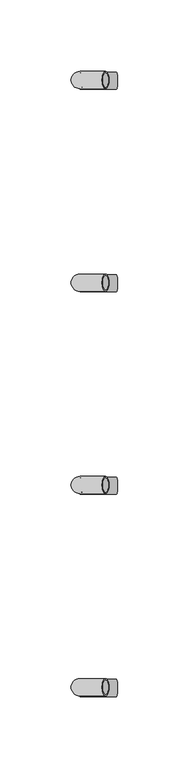
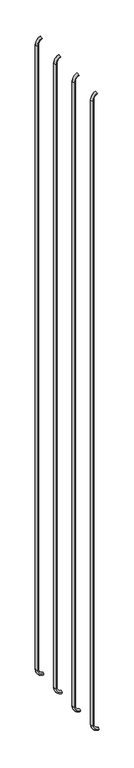
"""IFC4 building model written with IfcOpenShell, lengths in millimetres: beam geometry."""

from ifc_helpers import new_model, si_unit, point, frame, origin, place, context, project, spatial, polyline, circle_curve, ellipse_curve, trimmed, source, transform, mapped, element, save
from ifc_brep_helpers import plane_surface, cylinder_surface, revolved_surface, advanced_brep


def beam_448fe7ff(model_context):
    return source(origin(), model_context, "Body", "AdvancedBrep", [
        advanced_brep(
        [(-2036.2663591, 2408.8890736, 2977.1908893), (-2036.2663591, 2396.8890736, 2977.1908893), (-2036.2663591, 2407.8890736, 2977.1908893), (-2036.2663591, 2397.8890736, 2977.1908893), (-2054.342976, 2397.8890736, 2949.6621238), (-2054.342976, 2407.8890736, 2949.6621238), (-2054.342976, 2396.8890736, 2949.6621238), (-2054.342976, 2408.8890736, 2949.6621238), (-2054.342976, 2407.8890736, 30.7084898), (-2054.342976, 2397.8890736, 30.7084898), (-2054.342976, 2408.8890736, 30.7084898), (-2054.342976, 2396.8890736, 30.7084898), (-2028.7233999, 2408.8890736, 1.0300146), (-2028.7233999, 2396.8890736, 1.0300146), (-2028.7233999, 2407.8890736, 1.0300146), (-2028.7233999, 2397.8890736, 1.0300146)],
        [
            (0, 1, circle_curve(frame((-2036.2663591, 2402.8890736, 2977.1908893), z_axis=(0.9176255197351176, 0.0, 0.3974461039321624), x_axis=(0.0, -1.0, 0.0)), 6.0)),
            (1, 0, circle_curve(frame((-2036.2663591, 2402.8890736, 2977.1908893), z_axis=(0.9176255197351176, 0.0, 0.3974461039321624), x_axis=(0.0, -1.0, 0.0)), 6.0)),
            (2, 3, circle_curve(frame((-2036.2663591, 2402.8890736, 2977.1908893), z_axis=(-0.9176255197351176, 0.0, -0.3974461039321624), x_axis=(0.0, -1.0, 0.0)), 5.0)),
            (3, 2, circle_curve(frame((-2036.2663591, 2402.8890736, 2977.1908893), z_axis=(-0.9176255197351176, 0.0, -0.3974461039321624), x_axis=(0.0, -1.0, 0.0)), 5.0)),
            (4, 3, circle_curve(frame((-2024.342976, 2397.8890736, 2949.6621238), z_axis=(0.0, 1.0, 0.0), x_axis=(-0.3974461039321624, 0.0, 0.9176255197351176)), 30.0)),
            (2, 5, circle_curve(frame((-2024.342976, 2407.8890736, 2949.6621238), z_axis=(0.0, -1.0, 0.0), x_axis=(-0.3974461039321624, 0.0, 0.9176255197351176)), 30.0)),
            (5, 4, circle_curve(frame((-2054.342976, 2402.8890736, 2949.6621238), z_axis=(0.0, 0.0, -1.0), x_axis=(0.0, -1.0, 0.0)), 5.0)),
            (4, 5, circle_curve(frame((-2054.342976, 2402.8890736, 2949.6621238), z_axis=(0.0, 0.0, -1.0), x_axis=(0.0, -1.0, 0.0)), 5.0)),
            (6, 1, circle_curve(frame((-2024.342976, 2396.8890736, 2949.6621238), z_axis=(0.0, 1.0, 0.0), x_axis=(-0.3974461039321624, 0.0, 0.9176255197351176)), 30.0)),
            (0, 7, circle_curve(frame((-2024.342976, 2408.8890736, 2949.6621238), z_axis=(0.0, -1.0, 0.0), x_axis=(-0.3974461039321624, 0.0, 0.9176255197351176)), 30.0)),
            (7, 6, circle_curve(frame((-2054.342976, 2402.8890736, 2949.6621238), z_axis=(0.0, 0.0, 1.0), x_axis=(0.0, -1.0, 0.0)), 6.0)),
            (6, 7, circle_curve(frame((-2054.342976, 2402.8890736, 2949.6621238), z_axis=(0.0, 0.0, 1.0), x_axis=(0.0, -1.0, 0.0)), 6.0)),
            (5, 8),
            (8, 9, circle_curve(frame((-2054.342976, 2402.8890736, 30.7084898), z_axis=(0.0, 0.0, -1.0), x_axis=(0.0, -1.0, 0.0)), 5.0)),
            (9, 4),
            (9, 8, circle_curve(frame((-2054.342976, 2402.8890736, 30.7084898), z_axis=(0.0, 0.0, -1.0), x_axis=(0.0, -1.0, 0.0)), 5.0)),
            (7, 10),
            (10, 11, circle_curve(frame((-2054.342976, 2402.8890736, 30.7084898), z_axis=(0.0, 0.0, 1.0), x_axis=(0.0, -1.0, 0.0)), 6.0)),
            (11, 6),
            (11, 10, circle_curve(frame((-2054.342976, 2402.8890736, 30.7084898), z_axis=(0.0, 0.0, 1.0), x_axis=(0.0, -1.0, 0.0)), 6.0)),
            (12, 13, circle_curve(frame((-2028.7233999, 2402.8890736, 1.0300146), z_axis=(0.9892825047438852, 0.0, -0.14601412879466397), x_axis=(0.0, -1.0, 0.0)), 6.0)),
            (13, 12, circle_curve(frame((-2028.7233999, 2402.8890736, 1.0300146), z_axis=(0.9892825047438852, 0.0, -0.14601412879466397), x_axis=(0.0, -1.0, 0.0)), 6.0)),
            (14, 15, circle_curve(frame((-2028.7233999, 2402.8890736, 1.0300146), z_axis=(-0.9892825047438852, 0.0, 0.14601412879466397), x_axis=(0.0, -1.0, 0.0)), 5.0)),
            (15, 14, circle_curve(frame((-2028.7233999, 2402.8890736, 1.0300146), z_axis=(-0.9892825047438852, 0.0, 0.14601412879466397), x_axis=(0.0, -1.0, 0.0)), 5.0)),
            (15, 9, circle_curve(frame((-2024.342976, 2397.8890736, 30.7084898), z_axis=(0.0, 1.0, 0.0), x_axis=(-1.0, 0.0, 0.0)), 30.0)),
            (8, 14, circle_curve(frame((-2024.342976, 2407.8890736, 30.7084898), z_axis=(0.0, -1.0, 0.0), x_axis=(-1.0, 0.0, 0.0)), 30.0)),
            (13, 11, circle_curve(frame((-2024.342976, 2396.8890736, 30.7084898), z_axis=(0.0, 1.0, 0.0), x_axis=(-1.0, 0.0, 0.0)), 30.0)),
            (10, 12, circle_curve(frame((-2024.342976, 2408.8890736, 30.7084898), z_axis=(0.0, -1.0, 0.0), x_axis=(-1.0, 0.0, 0.0)), 30.0)),
        ],
        [
            plane_surface(frame((-2036.2663591, 2402.8890736, 2977.1908893), z_axis=(0.9176255197351176, 0.0, 0.3974461039321624), x_axis=(0.0, -1.0, 0.0))),
            revolved_surface(trimmed(ellipse_curve(frame((-2036.2663591, 2402.8890736, 2977.1908893), z_axis=(-0.9176255197351176, 0.0, -0.3974461039321624), x_axis=(0.0, -1.0, 0.0)), 5.0, 5.0), [point((-2036.2663591, 2407.8890736, 2977.1908893))], [point((-2036.2663591, 2397.8890736, 2977.1908893))], True, "CARTESIAN"), (-2024.342976, 2402.8890736, 2949.6621238), (0.0, -1.0, 0.0)),
            revolved_surface(trimmed(ellipse_curve(frame((-2036.2663591, 2402.8890736, 2977.1908893), z_axis=(-0.9176255197351176, 0.0, -0.3974461039321624), x_axis=(0.0, -1.0, 0.0)), 5.0, 5.0), [point((-2036.2663591, 2397.8890736, 2977.1908893))], [point((-2036.2663591, 2407.8890736, 2977.1908893))], True, "CARTESIAN"), (-2024.342976, 2402.8890736, 2949.6621238), (0.0, -1.0, 0.0)),
            revolved_surface(trimmed(ellipse_curve(frame((-2036.2663591, 2402.8890736, 2977.1908893), z_axis=(0.9176255197351176, 0.0, 0.3974461039321624), x_axis=(0.0, -1.0, 0.0)), 6.0, 6.0), [point((-2036.2663591, 2408.8890736, 2977.1908893))], [point((-2036.2663591, 2396.8890736, 2977.1908893))], True, "CARTESIAN"), (-2024.342976, 2402.8890736, 2949.6621238), (0.0, -1.0, 0.0)),
            revolved_surface(trimmed(ellipse_curve(frame((-2036.2663591, 2402.8890736, 2977.1908893), z_axis=(0.9176255197351176, 0.0, 0.3974461039321624), x_axis=(0.0, -1.0, 0.0)), 6.0, 6.0), [point((-2036.2663591, 2396.8890736, 2977.1908893))], [point((-2036.2663591, 2408.8890736, 2977.1908893))], True, "CARTESIAN"), (-2024.342976, 2402.8890736, 2949.6621238), (0.0, -1.0, 0.0)),
            revolved_surface(polyline([(-2054.342976, 2397.8890736, 30.708489799999825), (-2054.342976, 2397.8890736, 2949.6621238)]), (-2054.342976, 2402.8890736, 2949.6621238), (0.0, 0.0, -1.0)),
            cylinder_surface(frame((-2054.342976, 2402.8890736, 2949.6621238), z_axis=(0.0, 0.0, 1.0), x_axis=(0.0, -1.0, 0.0)), 6.0),
            plane_surface(frame((-2028.7233999, 2402.8890736, 1.0300146), z_axis=(0.9892825047438852, 0.0, -0.14601412879466397), x_axis=(0.0, -1.0, 0.0))),
            revolved_surface(trimmed(ellipse_curve(frame((-2054.342976, 2402.8890736, 30.7084898), z_axis=(0.0, 0.0, -1.0), x_axis=(0.0, -1.0, 0.0)), 5.0, 5.0), [point((-2054.342976, 2407.8890736, 30.7084898))], [point((-2054.342976, 2397.8890736, 30.7084898))], True, "CARTESIAN"), (-2024.342976, 2402.8890736, 30.7084898), (0.0, -1.0, 0.0)),
            revolved_surface(trimmed(ellipse_curve(frame((-2054.342976, 2402.8890736, 30.7084898), z_axis=(0.0, 0.0, -1.0), x_axis=(0.0, -1.0, 0.0)), 5.0, 5.0), [point((-2054.342976, 2397.8890736, 30.7084898))], [point((-2054.342976, 2407.8890736, 30.7084898))], True, "CARTESIAN"), (-2024.342976, 2402.8890736, 30.7084898), (0.0, -1.0, 0.0)),
            revolved_surface(trimmed(ellipse_curve(frame((-2054.342976, 2402.8890736, 30.7084898), z_axis=(0.0, 0.0, 1.0), x_axis=(0.0, -1.0, 0.0)), 6.0, 6.0), [point((-2054.342976, 2408.8890736, 30.7084898))], [point((-2054.342976, 2396.8890736, 30.7084898))], True, "CARTESIAN"), (-2024.342976, 2402.8890736, 30.7084898), (0.0, -1.0, 0.0)),
            revolved_surface(trimmed(ellipse_curve(frame((-2054.342976, 2402.8890736, 30.7084898), z_axis=(0.0, 0.0, 1.0), x_axis=(0.0, -1.0, 0.0)), 6.0, 6.0), [point((-2054.342976, 2396.8890736, 30.7084898))], [point((-2054.342976, 2408.8890736, 30.7084898))], True, "CARTESIAN"), (-2024.342976, 2402.8890736, 30.7084898), (0.0, -1.0, 0.0)),
        ],
        [
            (0, [[1, 2], [3, 4]]),
            (1, [[5, -3, 6, 7]]),
            (2, [[-6, -4, -5, 8]]),
            (3, [[9, -1, 10, 11]]),
            (4, [[-10, -2, -9, 12]]),
            (5, [[-7, 13, 14, 15]]),
            (5, [[-8, -15, 16, -13]]),
            (6, [[-11, 17, 18, 19]]),
            (6, [[-12, -19, 20, -17]]),
            (7, [[21, 22], [23, 24]]),
            (8, [[25, -14, 26, -24]]),
            (9, [[-26, -16, -25, -23]]),
            (10, [[27, -18, 28, -22]]),
            (11, [[-28, -20, -27, -21]]),
        ],
    ),
        advanced_brep(
        [(-2036.2663591, 2550.2953236, 2977.1908893), (-2036.2663591, 2538.2953236, 2977.1908893), (-2036.2663591, 2549.2953236, 2977.1908893), (-2036.2663591, 2539.2953236, 2977.1908893), (-2054.342976, 2539.2953236, 2949.6621238), (-2054.342976, 2549.2953236, 2949.6621238), (-2054.342976, 2538.2953236, 2949.6621238), (-2054.342976, 2550.2953236, 2949.6621238), (-2054.342976, 2549.2953236, 30.7084898), (-2054.342976, 2539.2953236, 30.7084898), (-2054.342976, 2550.2953236, 30.7084898), (-2054.342976, 2538.2953236, 30.7084898), (-2028.7233999, 2550.2953236, 1.0300146), (-2028.7233999, 2538.2953236, 1.0300146), (-2028.7233999, 2549.2953236, 1.0300146), (-2028.7233999, 2539.2953236, 1.0300146)],
        [
            (0, 1, circle_curve(frame((-2036.2663591, 2544.2953236, 2977.1908893), z_axis=(0.9176255197351176, 0.0, 0.3974461039321624), x_axis=(0.0, -1.0, 0.0)), 6.0)),
            (1, 0, circle_curve(frame((-2036.2663591, 2544.2953236, 2977.1908893), z_axis=(0.9176255197351176, 0.0, 0.3974461039321624), x_axis=(0.0, -1.0, 0.0)), 6.0)),
            (2, 3, circle_curve(frame((-2036.2663591, 2544.2953236, 2977.1908893), z_axis=(-0.9176255197351176, 0.0, -0.3974461039321624), x_axis=(0.0, -1.0, 0.0)), 5.0)),
            (3, 2, circle_curve(frame((-2036.2663591, 2544.2953236, 2977.1908893), z_axis=(-0.9176255197351176, 0.0, -0.3974461039321624), x_axis=(0.0, -1.0, 0.0)), 5.0)),
            (4, 3, circle_curve(frame((-2024.342976, 2539.2953236, 2949.6621238), z_axis=(0.0, 1.0, 0.0), x_axis=(-0.3974461039321624, 0.0, 0.9176255197351176)), 30.0)),
            (2, 5, circle_curve(frame((-2024.342976, 2549.2953236, 2949.6621238), z_axis=(0.0, -1.0, 0.0), x_axis=(-0.3974461039321624, 0.0, 0.9176255197351176)), 30.0)),
            (5, 4, circle_curve(frame((-2054.342976, 2544.2953236, 2949.6621238), z_axis=(0.0, 0.0, -1.0), x_axis=(0.0, -1.0, 0.0)), 5.0)),
            (4, 5, circle_curve(frame((-2054.342976, 2544.2953236, 2949.6621238), z_axis=(0.0, 0.0, -1.0), x_axis=(0.0, -1.0, 0.0)), 5.0)),
            (6, 1, circle_curve(frame((-2024.342976, 2538.2953236, 2949.6621238), z_axis=(0.0, 1.0, 0.0), x_axis=(-0.3974461039321624, 0.0, 0.9176255197351176)), 30.0)),
            (0, 7, circle_curve(frame((-2024.342976, 2550.2953236, 2949.6621238), z_axis=(0.0, -1.0, 0.0), x_axis=(-0.3974461039321624, 0.0, 0.9176255197351176)), 30.0)),
            (7, 6, circle_curve(frame((-2054.342976, 2544.2953236, 2949.6621238), z_axis=(0.0, 0.0, 1.0), x_axis=(0.0, -1.0, 0.0)), 6.0)),
            (6, 7, circle_curve(frame((-2054.342976, 2544.2953236, 2949.6621238), z_axis=(0.0, 0.0, 1.0), x_axis=(0.0, -1.0, 0.0)), 6.0)),
            (5, 8),
            (8, 9, circle_curve(frame((-2054.342976, 2544.2953236, 30.7084898), z_axis=(0.0, 0.0, -1.0), x_axis=(0.0, -1.0, 0.0)), 5.0)),
            (9, 4),
            (9, 8, circle_curve(frame((-2054.342976, 2544.2953236, 30.7084898), z_axis=(0.0, 0.0, -1.0), x_axis=(0.0, -1.0, 0.0)), 5.0)),
            (7, 10),
            (10, 11, circle_curve(frame((-2054.342976, 2544.2953236, 30.7084898), z_axis=(0.0, 0.0, 1.0), x_axis=(0.0, -1.0, 0.0)), 6.0)),
            (11, 6),
            (11, 10, circle_curve(frame((-2054.342976, 2544.2953236, 30.7084898), z_axis=(0.0, 0.0, 1.0), x_axis=(0.0, -1.0, 0.0)), 6.0)),
            (12, 13, circle_curve(frame((-2028.7233999, 2544.2953236, 1.0300146), z_axis=(0.9892825047438852, 0.0, -0.14601412879466397), x_axis=(0.0, -1.0, 0.0)), 6.0)),
            (13, 12, circle_curve(frame((-2028.7233999, 2544.2953236, 1.0300146), z_axis=(0.9892825047438852, 0.0, -0.14601412879466397), x_axis=(0.0, -1.0, 0.0)), 6.0)),
            (14, 15, circle_curve(frame((-2028.7233999, 2544.2953236, 1.0300146), z_axis=(-0.9892825047438852, 0.0, 0.14601412879466397), x_axis=(0.0, -1.0, 0.0)), 5.0)),
            (15, 14, circle_curve(frame((-2028.7233999, 2544.2953236, 1.0300146), z_axis=(-0.9892825047438852, 0.0, 0.14601412879466397), x_axis=(0.0, -1.0, 0.0)), 5.0)),
            (15, 9, circle_curve(frame((-2024.342976, 2539.2953236, 30.7084898), z_axis=(0.0, 1.0, 0.0), x_axis=(-1.0, 0.0, 0.0)), 30.0)),
            (8, 14, circle_curve(frame((-2024.342976, 2549.2953236, 30.7084898), z_axis=(0.0, -1.0, 0.0), x_axis=(-1.0, 0.0, 0.0)), 30.0)),
            (13, 11, circle_curve(frame((-2024.342976, 2538.2953236, 30.7084898), z_axis=(0.0, 1.0, 0.0), x_axis=(-1.0, 0.0, 0.0)), 30.0)),
            (10, 12, circle_curve(frame((-2024.342976, 2550.2953236, 30.7084898), z_axis=(0.0, -1.0, 0.0), x_axis=(-1.0, 0.0, 0.0)), 30.0)),
        ],
        [
            plane_surface(frame((-2036.2663591, 2544.2953236, 2977.1908893), z_axis=(0.9176255197351176, 0.0, 0.3974461039321624), x_axis=(0.0, -1.0, 0.0))),
            revolved_surface(trimmed(ellipse_curve(frame((-2036.2663591, 2544.2953236, 2977.1908893), z_axis=(-0.9176255197351176, 0.0, -0.3974461039321624), x_axis=(0.0, -1.0, 0.0)), 5.0, 5.0), [point((-2036.2663591, 2549.2953236, 2977.1908893))], [point((-2036.2663591, 2539.2953236, 2977.1908893))], True, "CARTESIAN"), (-2024.342976, 2544.2953236, 2949.6621238), (0.0, -1.0, 0.0)),
            revolved_surface(trimmed(ellipse_curve(frame((-2036.2663591, 2544.2953236, 2977.1908893), z_axis=(-0.9176255197351176, 0.0, -0.3974461039321624), x_axis=(0.0, -1.0, 0.0)), 5.0, 5.0), [point((-2036.2663591, 2539.2953236, 2977.1908893))], [point((-2036.2663591, 2549.2953236, 2977.1908893))], True, "CARTESIAN"), (-2024.342976, 2544.2953236, 2949.6621238), (0.0, -1.0, 0.0)),
            revolved_surface(trimmed(ellipse_curve(frame((-2036.2663591, 2544.2953236, 2977.1908893), z_axis=(0.9176255197351176, 0.0, 0.3974461039321624), x_axis=(0.0, -1.0, 0.0)), 6.0, 6.0), [point((-2036.2663591, 2550.2953236, 2977.1908893))], [point((-2036.2663591, 2538.2953236, 2977.1908893))], True, "CARTESIAN"), (-2024.342976, 2544.2953236, 2949.6621238), (0.0, -1.0, 0.0)),
            revolved_surface(trimmed(ellipse_curve(frame((-2036.2663591, 2544.2953236, 2977.1908893), z_axis=(0.9176255197351176, 0.0, 0.3974461039321624), x_axis=(0.0, -1.0, 0.0)), 6.0, 6.0), [point((-2036.2663591, 2538.2953236, 2977.1908893))], [point((-2036.2663591, 2550.2953236, 2977.1908893))], True, "CARTESIAN"), (-2024.342976, 2544.2953236, 2949.6621238), (0.0, -1.0, 0.0)),
            revolved_surface(polyline([(-2054.342976, 2539.2953236, 30.708489799999825), (-2054.342976, 2539.2953236, 2949.6621238)]), (-2054.342976, 2544.2953236, 2949.6621238), (0.0, 0.0, -1.0)),
            cylinder_surface(frame((-2054.342976, 2544.2953236, 2949.6621238), z_axis=(0.0, 0.0, 1.0), x_axis=(0.0, -1.0, 0.0)), 6.0),
            plane_surface(frame((-2028.7233999, 2544.2953236, 1.0300146), z_axis=(0.9892825047438852, 0.0, -0.14601412879466397), x_axis=(0.0, -1.0, 0.0))),
            revolved_surface(trimmed(ellipse_curve(frame((-2054.342976, 2544.2953236, 30.7084898), z_axis=(0.0, 0.0, -1.0), x_axis=(0.0, -1.0, 0.0)), 5.0, 5.0), [point((-2054.342976, 2549.2953236, 30.7084898))], [point((-2054.342976, 2539.2953236, 30.7084898))], True, "CARTESIAN"), (-2024.342976, 2544.2953236, 30.7084898), (0.0, -1.0, 0.0)),
            revolved_surface(trimmed(ellipse_curve(frame((-2054.342976, 2544.2953236, 30.7084898), z_axis=(0.0, 0.0, -1.0), x_axis=(0.0, -1.0, 0.0)), 5.0, 5.0), [point((-2054.342976, 2539.2953236, 30.7084898))], [point((-2054.342976, 2549.2953236, 30.7084898))], True, "CARTESIAN"), (-2024.342976, 2544.2953236, 30.7084898), (0.0, -1.0, 0.0)),
            revolved_surface(trimmed(ellipse_curve(frame((-2054.342976, 2544.2953236, 30.7084898), z_axis=(0.0, 0.0, 1.0), x_axis=(0.0, -1.0, 0.0)), 6.0, 6.0), [point((-2054.342976, 2550.2953236, 30.7084898))], [point((-2054.342976, 2538.2953236, 30.7084898))], True, "CARTESIAN"), (-2024.342976, 2544.2953236, 30.7084898), (0.0, -1.0, 0.0)),
            revolved_surface(trimmed(ellipse_curve(frame((-2054.342976, 2544.2953236, 30.7084898), z_axis=(0.0, 0.0, 1.0), x_axis=(0.0, -1.0, 0.0)), 6.0, 6.0), [point((-2054.342976, 2538.2953236, 30.7084898))], [point((-2054.342976, 2550.2953236, 30.7084898))], True, "CARTESIAN"), (-2024.342976, 2544.2953236, 30.7084898), (0.0, -1.0, 0.0)),
        ],
        [
            (0, [[1, 2], [3, 4]]),
            (1, [[5, -3, 6, 7]]),
            (2, [[-6, -4, -5, 8]]),
            (3, [[9, -1, 10, 11]]),
            (4, [[-10, -2, -9, 12]]),
            (5, [[-7, 13, 14, 15]]),
            (5, [[-8, -15, 16, -13]]),
            (6, [[-11, 17, 18, 19]]),
            (6, [[-12, -19, 20, -17]]),
            (7, [[21, 22], [23, 24]]),
            (8, [[25, -14, 26, -24]]),
            (9, [[-26, -16, -25, -23]]),
            (10, [[27, -18, 28, -22]]),
            (11, [[-28, -20, -27, -21]]),
        ],
    ),
        advanced_brep(
        [(-2036.2663591, 2833.5765736, 2977.1908893), (-2036.2663591, 2821.5765736, 2977.1908893), (-2036.2663591, 2832.5765736, 2977.1908893), (-2036.2663591, 2822.5765736, 2977.1908893), (-2054.342976, 2822.5765736, 2949.6621238), (-2054.342976, 2832.5765736, 2949.6621238), (-2054.342976, 2821.5765736, 2949.6621238), (-2054.342976, 2833.5765736, 2949.6621238), (-2054.342976, 2832.5765736, 30.7084898), (-2054.342976, 2822.5765736, 30.7084898), (-2054.342976, 2833.5765736, 30.7084898), (-2054.342976, 2821.5765736, 30.7084898), (-2028.7233999, 2833.5765736, 1.0300146), (-2028.7233999, 2821.5765736, 1.0300146), (-2028.7233999, 2832.5765736, 1.0300146), (-2028.7233999, 2822.5765736, 1.0300146)],
        [
            (0, 1, circle_curve(frame((-2036.2663591, 2827.5765736, 2977.1908893), z_axis=(0.9176255197351176, 0.0, 0.3974461039321624), x_axis=(0.0, -1.0, 0.0)), 6.0)),
            (1, 0, circle_curve(frame((-2036.2663591, 2827.5765736, 2977.1908893), z_axis=(0.9176255197351176, 0.0, 0.3974461039321624), x_axis=(0.0, -1.0, 0.0)), 6.0)),
            (2, 3, circle_curve(frame((-2036.2663591, 2827.5765736, 2977.1908893), z_axis=(-0.9176255197351176, 0.0, -0.3974461039321624), x_axis=(0.0, -1.0, 0.0)), 5.0)),
            (3, 2, circle_curve(frame((-2036.2663591, 2827.5765736, 2977.1908893), z_axis=(-0.9176255197351176, 0.0, -0.3974461039321624), x_axis=(0.0, -1.0, 0.0)), 5.0)),
            (4, 3, circle_curve(frame((-2024.342976, 2822.5765736, 2949.6621238), z_axis=(0.0, 1.0, 0.0), x_axis=(-0.3974461039321624, 0.0, 0.9176255197351176)), 30.0)),
            (2, 5, circle_curve(frame((-2024.342976, 2832.5765736, 2949.6621238), z_axis=(0.0, -1.0, 0.0), x_axis=(-0.3974461039321624, 0.0, 0.9176255197351176)), 30.0)),
            (5, 4, circle_curve(frame((-2054.342976, 2827.5765736, 2949.6621238), z_axis=(0.0, 0.0, -1.0), x_axis=(0.0, -1.0, 0.0)), 5.0)),
            (4, 5, circle_curve(frame((-2054.342976, 2827.5765736, 2949.6621238), z_axis=(0.0, 0.0, -1.0), x_axis=(0.0, -1.0, 0.0)), 5.0)),
            (6, 1, circle_curve(frame((-2024.342976, 2821.5765736, 2949.6621238), z_axis=(0.0, 1.0, 0.0), x_axis=(-0.3974461039321624, 0.0, 0.9176255197351176)), 30.0)),
            (0, 7, circle_curve(frame((-2024.342976, 2833.5765736, 2949.6621238), z_axis=(0.0, -1.0, 0.0), x_axis=(-0.3974461039321624, 0.0, 0.9176255197351176)), 30.0)),
            (7, 6, circle_curve(frame((-2054.342976, 2827.5765736, 2949.6621238), z_axis=(0.0, 0.0, 0.9999999999999999), x_axis=(0.0, -1.0, 0.0)), 6.0)),
            (6, 7, circle_curve(frame((-2054.342976, 2827.5765736, 2949.6621238), z_axis=(0.0, 0.0, 1.0), x_axis=(0.0, -1.0, 0.0)), 6.0)),
            (5, 8),
            (8, 9, circle_curve(frame((-2054.342976, 2827.5765736, 30.7084898), z_axis=(0.0, 0.0, -1.0), x_axis=(0.0, -1.0, 0.0)), 5.0)),
            (9, 4),
            (9, 8, circle_curve(frame((-2054.342976, 2827.5765736, 30.7084898), z_axis=(0.0, 0.0, -1.0), x_axis=(0.0, -1.0, 0.0)), 5.0)),
            (7, 10),
            (10, 11, circle_curve(frame((-2054.342976, 2827.5765736, 30.7084898), z_axis=(0.0, 0.0, 1.0), x_axis=(0.0, -1.0, 0.0)), 6.0)),
            (11, 6),
            (11, 10, circle_curve(frame((-2054.342976, 2827.5765736, 30.7084898), z_axis=(0.0, 0.0, 1.0), x_axis=(0.0, -1.0, 0.0)), 6.0)),
            (12, 13, circle_curve(frame((-2028.7233999, 2827.5765736, 1.0300146), z_axis=(0.9892825047438852, 0.0, -0.14601412879466397), x_axis=(0.0, -1.0, 0.0)), 6.0)),
            (13, 12, circle_curve(frame((-2028.7233999, 2827.5765736, 1.0300146), z_axis=(0.9892825047438852, 0.0, -0.14601412879466397), x_axis=(0.0, -1.0, 0.0)), 6.0)),
            (14, 15, circle_curve(frame((-2028.7233999, 2827.5765736, 1.0300146), z_axis=(-0.9892825047438852, 0.0, 0.14601412879466397), x_axis=(0.0, -1.0, 0.0)), 5.0)),
            (15, 14, circle_curve(frame((-2028.7233999, 2827.5765736, 1.0300146), z_axis=(-0.9892825047438852, 0.0, 0.14601412879466397), x_axis=(0.0, -1.0, 0.0)), 5.0)),
            (15, 9, circle_curve(frame((-2024.342976, 2822.5765736, 30.7084898), z_axis=(0.0, 1.0, 0.0), x_axis=(-1.0, 0.0, 0.0)), 30.0)),
            (8, 14, circle_curve(frame((-2024.342976, 2832.5765736, 30.7084898), z_axis=(0.0, -1.0, 0.0), x_axis=(-1.0, 0.0, 0.0)), 30.0)),
            (13, 11, circle_curve(frame((-2024.342976, 2821.5765736, 30.7084898), z_axis=(0.0, 1.0, 0.0), x_axis=(-1.0, 0.0, 0.0)), 30.0)),
            (10, 12, circle_curve(frame((-2024.342976, 2833.5765736, 30.7084898), z_axis=(0.0, -1.0, 0.0), x_axis=(-1.0, 0.0, 0.0)), 30.0)),
        ],
        [
            plane_surface(frame((-2036.2663591, 2827.5765736, 2977.1908893), z_axis=(0.9176255197351176, 0.0, 0.3974461039321624), x_axis=(0.0, -1.0, 0.0))),
            revolved_surface(trimmed(ellipse_curve(frame((-2036.2663591, 2827.5765736, 2977.1908893), z_axis=(-0.9176255197351176, 0.0, -0.3974461039321624), x_axis=(0.0, -1.0, 0.0)), 5.0, 5.0), [point((-2036.2663591, 2832.5765736, 2977.1908893))], [point((-2036.2663591, 2822.5765736, 2977.1908893))], True, "CARTESIAN"), (-2024.342976, 2827.5765736, 2949.6621238), (0.0, -1.0, 0.0)),
            revolved_surface(trimmed(ellipse_curve(frame((-2036.2663591, 2827.5765736, 2977.1908893), z_axis=(-0.9176255197351176, 0.0, -0.3974461039321624), x_axis=(0.0, -1.0, 0.0)), 5.0, 5.0), [point((-2036.2663591, 2822.5765736, 2977.1908893))], [point((-2036.2663591, 2832.5765736, 2977.1908893))], True, "CARTESIAN"), (-2024.342976, 2827.5765736, 2949.6621238), (0.0, -1.0, 0.0)),
            revolved_surface(trimmed(ellipse_curve(frame((-2036.2663591, 2827.5765736, 2977.1908893), z_axis=(0.9176255197351176, 0.0, 0.3974461039321624), x_axis=(0.0, -1.0, 0.0)), 6.0, 6.0), [point((-2036.2663591, 2833.5765736, 2977.1908893))], [point((-2036.2663591, 2821.5765736, 2977.1908893))], True, "CARTESIAN"), (-2024.342976, 2827.5765736, 2949.6621238), (0.0, -1.0, 0.0)),
            revolved_surface(trimmed(ellipse_curve(frame((-2036.2663591, 2827.5765736, 2977.1908893), z_axis=(0.9176255197351176, 0.0, 0.3974461039321624), x_axis=(0.0, -1.0, 0.0)), 6.0, 6.0), [point((-2036.2663591, 2821.5765736, 2977.1908893))], [point((-2036.2663591, 2833.5765736, 2977.1908893))], True, "CARTESIAN"), (-2024.342976, 2827.5765736, 2949.6621238), (0.0, -1.0, 0.0)),
            revolved_surface(polyline([(-2054.342976, 2822.5765736, 30.708489799999825), (-2054.342976, 2822.5765736, 2949.6621238)]), (-2054.342976, 2827.5765736, 2949.6621238), (0.0, 0.0, -1.0)),
            cylinder_surface(frame((-2054.342976, 2827.5765736, 2949.6621238), z_axis=(0.0, 0.0, 1.0), x_axis=(0.0, -1.0, 0.0)), 6.0),
            plane_surface(frame((-2028.7233999, 2827.5765736, 1.0300146), z_axis=(0.9892825047438852, 0.0, -0.14601412879466397), x_axis=(0.0, -1.0, 0.0))),
            revolved_surface(trimmed(ellipse_curve(frame((-2054.342976, 2827.5765736, 30.7084898), z_axis=(0.0, 0.0, -1.0), x_axis=(0.0, -1.0, 0.0)), 5.0, 5.0), [point((-2054.342976, 2832.5765736, 30.7084898))], [point((-2054.342976, 2822.5765736, 30.7084898))], True, "CARTESIAN"), (-2024.342976, 2827.5765736, 30.7084898), (0.0, -1.0, 0.0)),
            revolved_surface(trimmed(ellipse_curve(frame((-2054.342976, 2827.5765736, 30.7084898), z_axis=(0.0, 0.0, -1.0), x_axis=(0.0, -1.0, 0.0)), 5.0, 5.0), [point((-2054.342976, 2822.5765736, 30.7084898))], [point((-2054.342976, 2832.5765736, 30.7084898))], True, "CARTESIAN"), (-2024.342976, 2827.5765736, 30.7084898), (0.0, -1.0, 0.0)),
            revolved_surface(trimmed(ellipse_curve(frame((-2054.342976, 2827.5765736, 30.7084898), z_axis=(0.0, 0.0, 1.0), x_axis=(0.0, -1.0, 0.0)), 6.0, 6.0), [point((-2054.342976, 2833.5765736, 30.7084898))], [point((-2054.342976, 2821.5765736, 30.7084898))], True, "CARTESIAN"), (-2024.342976, 2827.5765736, 30.7084898), (0.0, -1.0, 0.0)),
            revolved_surface(trimmed(ellipse_curve(frame((-2054.342976, 2827.5765736, 30.7084898), z_axis=(0.0, 0.0, 1.0), x_axis=(0.0, -1.0, 0.0)), 6.0, 6.0), [point((-2054.342976, 2821.5765736, 30.7084898))], [point((-2054.342976, 2833.5765736, 30.7084898))], True, "CARTESIAN"), (-2024.342976, 2827.5765736, 30.7084898), (0.0, -1.0, 0.0)),
        ],
        [
            (0, [[1, 2], [3, 4]]),
            (1, [[5, -3, 6, 7]]),
            (2, [[-6, -4, -5, 8]]),
            (3, [[9, -1, 10, 11]]),
            (4, [[-10, -2, -9, 12]]),
            (5, [[-7, 13, 14, 15]]),
            (5, [[-8, -15, 16, -13]]),
            (6, [[-11, 17, 18, 19]]),
            (6, [[-12, -19, 20, -17]]),
            (7, [[21, 22], [23, 24]]),
            (8, [[25, -14, 26, -24]]),
            (9, [[-26, -16, -25, -23]]),
            (10, [[27, -18, 28, -22]]),
            (11, [[-28, -20, -27, -21]]),
        ],
    ),
        advanced_brep(
        [(-2036.2663591, 2691.8578236, 2977.1908893), (-2036.2663591, 2679.8578236, 2977.1908893), (-2036.2663591, 2690.8578236, 2977.1908893), (-2036.2663591, 2680.8578236, 2977.1908893), (-2054.342976, 2680.8578236, 2949.6621238), (-2054.342976, 2690.8578236, 2949.6621238), (-2054.342976, 2679.8578236, 2949.6621238), (-2054.342976, 2691.8578236, 2949.6621238), (-2054.342976, 2690.8578236, 30.7084898), (-2054.342976, 2680.8578236, 30.7084898), (-2054.342976, 2691.8578236, 30.7084898), (-2054.342976, 2679.8578236, 30.7084898), (-2028.7233999, 2691.8578236, 1.0300146), (-2028.7233999, 2679.8578236, 1.0300146), (-2028.7233999, 2690.8578236, 1.0300146), (-2028.7233999, 2680.8578236, 1.0300146)],
        [
            (0, 1, circle_curve(frame((-2036.2663591, 2685.8578236, 2977.1908893), z_axis=(0.9176255197351176, 0.0, 0.3974461039321624), x_axis=(0.0, -1.0, 0.0)), 6.0)),
            (1, 0, circle_curve(frame((-2036.2663591, 2685.8578236, 2977.1908893), z_axis=(0.9176255197351176, 0.0, 0.3974461039321624), x_axis=(0.0, -1.0, 0.0)), 6.0)),
            (2, 3, circle_curve(frame((-2036.2663591, 2685.8578236, 2977.1908893), z_axis=(-0.9176255197351176, 0.0, -0.3974461039321624), x_axis=(0.0, -1.0, 0.0)), 5.0)),
            (3, 2, circle_curve(frame((-2036.2663591, 2685.8578236, 2977.1908893), z_axis=(-0.9176255197351176, 0.0, -0.3974461039321624), x_axis=(0.0, -1.0, 0.0)), 5.0)),
            (4, 3, circle_curve(frame((-2024.342976, 2680.8578236, 2949.6621238), z_axis=(0.0, 1.0, 0.0), x_axis=(-0.3974461039321624, 0.0, 0.9176255197351176)), 30.0)),
            (2, 5, circle_curve(frame((-2024.342976, 2690.8578236, 2949.6621238), z_axis=(0.0, -1.0, 0.0), x_axis=(-0.3974461039321624, 0.0, 0.9176255197351176)), 30.0)),
            (5, 4, circle_curve(frame((-2054.342976, 2685.8578236, 2949.6621238), z_axis=(0.0, 0.0, -1.0), x_axis=(0.0, -1.0, 0.0)), 5.0)),
            (4, 5, circle_curve(frame((-2054.342976, 2685.8578236, 2949.6621238), z_axis=(0.0, 0.0, -1.0), x_axis=(0.0, -1.0, 0.0)), 5.0)),
            (6, 1, circle_curve(frame((-2024.342976, 2679.8578236, 2949.6621238), z_axis=(0.0, 1.0, 0.0), x_axis=(-0.3974461039321624, 0.0, 0.9176255197351176)), 30.0)),
            (0, 7, circle_curve(frame((-2024.342976, 2691.8578236, 2949.6621238), z_axis=(0.0, -1.0, 0.0), x_axis=(-0.3974461039321624, 0.0, 0.9176255197351176)), 30.0)),
            (7, 6, circle_curve(frame((-2054.342976, 2685.8578236, 2949.6621238), z_axis=(0.0, 0.0, 1.0), x_axis=(0.0, -1.0, 0.0)), 6.0)),
            (6, 7, circle_curve(frame((-2054.342976, 2685.8578236, 2949.6621238), z_axis=(0.0, 0.0, 1.0), x_axis=(0.0, -1.0, 0.0)), 6.0)),
            (5, 8),
            (8, 9, circle_curve(frame((-2054.342976, 2685.8578236, 30.7084898), z_axis=(0.0, 0.0, -1.0), x_axis=(0.0, -1.0, 0.0)), 5.0)),
            (9, 4),
            (9, 8, circle_curve(frame((-2054.342976, 2685.8578236, 30.7084898), z_axis=(0.0, 0.0, -1.0), x_axis=(0.0, -1.0, 0.0)), 5.0)),
            (7, 10),
            (10, 11, circle_curve(frame((-2054.342976, 2685.8578236, 30.7084898), z_axis=(0.0, 0.0, 1.0), x_axis=(0.0, -1.0, 0.0)), 6.0)),
            (11, 6),
            (11, 10, circle_curve(frame((-2054.342976, 2685.8578236, 30.7084898), z_axis=(0.0, 0.0, 1.0), x_axis=(0.0, -1.0, 0.0)), 6.0)),
            (12, 13, circle_curve(frame((-2028.7233999, 2685.8578236, 1.0300146), z_axis=(0.9892825047438852, 0.0, -0.14601412879466397), x_axis=(0.0, -1.0, 0.0)), 6.0)),
            (13, 12, circle_curve(frame((-2028.7233999, 2685.8578236, 1.0300146), z_axis=(0.9892825047438852, 0.0, -0.14601412879466397), x_axis=(0.0, -1.0, 0.0)), 6.0)),
            (14, 15, circle_curve(frame((-2028.7233999, 2685.8578236, 1.0300146), z_axis=(-0.9892825047438852, 0.0, 0.14601412879466397), x_axis=(0.0, -1.0, 0.0)), 5.0)),
            (15, 14, circle_curve(frame((-2028.7233999, 2685.8578236, 1.0300146), z_axis=(-0.9892825047438852, 0.0, 0.14601412879466397), x_axis=(0.0, -1.0, 0.0)), 5.0)),
            (15, 9, circle_curve(frame((-2024.342976, 2680.8578236, 30.7084898), z_axis=(0.0, 1.0, 0.0), x_axis=(-1.0, 0.0, 0.0)), 30.0)),
            (8, 14, circle_curve(frame((-2024.342976, 2690.8578236, 30.7084898), z_axis=(0.0, -1.0, 0.0), x_axis=(-1.0, 0.0, 0.0)), 30.0)),
            (13, 11, circle_curve(frame((-2024.342976, 2679.8578236, 30.7084898), z_axis=(0.0, 1.0, 0.0), x_axis=(-1.0, 0.0, 0.0)), 30.0)),
            (10, 12, circle_curve(frame((-2024.342976, 2691.8578236, 30.7084898), z_axis=(0.0, -1.0, 0.0), x_axis=(-1.0, 0.0, 0.0)), 30.0)),
        ],
        [
            plane_surface(frame((-2036.2663591, 2685.8578236, 2977.1908893), z_axis=(0.9176255197351176, 0.0, 0.3974461039321624), x_axis=(0.0, -1.0, 0.0))),
            revolved_surface(trimmed(ellipse_curve(frame((-2036.2663591, 2685.8578236, 2977.1908893), z_axis=(-0.9176255197351176, 0.0, -0.3974461039321624), x_axis=(0.0, -1.0, 0.0)), 5.0, 5.0), [point((-2036.2663591, 2690.8578236, 2977.1908893))], [point((-2036.2663591, 2680.8578236, 2977.1908893))], True, "CARTESIAN"), (-2024.342976, 2685.8578236, 2949.6621238), (0.0, -1.0, 0.0)),
            revolved_surface(trimmed(ellipse_curve(frame((-2036.2663591, 2685.8578236, 2977.1908893), z_axis=(-0.9176255197351176, 0.0, -0.3974461039321624), x_axis=(0.0, -1.0, 0.0)), 5.0, 5.0), [point((-2036.2663591, 2680.8578236, 2977.1908893))], [point((-2036.2663591, 2690.8578236, 2977.1908893))], True, "CARTESIAN"), (-2024.342976, 2685.8578236, 2949.6621238), (0.0, -1.0, 0.0)),
            revolved_surface(trimmed(ellipse_curve(frame((-2036.2663591, 2685.8578236, 2977.1908893), z_axis=(0.9176255197351176, 0.0, 0.3974461039321624), x_axis=(0.0, -1.0, 0.0)), 6.0, 6.0), [point((-2036.2663591, 2691.8578236, 2977.1908893))], [point((-2036.2663591, 2679.8578236, 2977.1908893))], True, "CARTESIAN"), (-2024.342976, 2685.8578236, 2949.6621238), (0.0, -1.0, 0.0)),
            revolved_surface(trimmed(ellipse_curve(frame((-2036.2663591, 2685.8578236, 2977.1908893), z_axis=(0.9176255197351176, 0.0, 0.3974461039321624), x_axis=(0.0, -1.0, 0.0)), 6.0, 6.0), [point((-2036.2663591, 2679.8578236, 2977.1908893))], [point((-2036.2663591, 2691.8578236, 2977.1908893))], True, "CARTESIAN"), (-2024.342976, 2685.8578236, 2949.6621238), (0.0, -1.0, 0.0)),
            revolved_surface(polyline([(-2054.342976, 2680.8578236, 30.708489799999825), (-2054.342976, 2680.8578236, 2949.6621238)]), (-2054.342976, 2685.8578236, 2949.6621238), (0.0, 0.0, -1.0)),
            cylinder_surface(frame((-2054.342976, 2685.8578236, 2949.6621238), z_axis=(0.0, 0.0, 1.0), x_axis=(0.0, -1.0, 0.0)), 6.0),
            plane_surface(frame((-2028.7233999, 2685.8578236, 1.0300146), z_axis=(0.9892825047438852, 0.0, -0.14601412879466397), x_axis=(0.0, -1.0, 0.0))),
            revolved_surface(trimmed(ellipse_curve(frame((-2054.342976, 2685.8578236, 30.7084898), z_axis=(0.0, 0.0, -1.0), x_axis=(0.0, -1.0, 0.0)), 5.0, 5.0), [point((-2054.342976, 2690.8578236, 30.7084898))], [point((-2054.342976, 2680.8578236, 30.7084898))], True, "CARTESIAN"), (-2024.342976, 2685.8578236, 30.7084898), (0.0, -1.0, 0.0)),
            revolved_surface(trimmed(ellipse_curve(frame((-2054.342976, 2685.8578236, 30.7084898), z_axis=(0.0, 0.0, -1.0), x_axis=(0.0, -1.0, 0.0)), 5.0, 5.0), [point((-2054.342976, 2680.8578236, 30.7084898))], [point((-2054.342976, 2690.8578236, 30.7084898))], True, "CARTESIAN"), (-2024.342976, 2685.8578236, 30.7084898), (0.0, -1.0, 0.0)),
            revolved_surface(trimmed(ellipse_curve(frame((-2054.342976, 2685.8578236, 30.7084898), z_axis=(0.0, 0.0, 1.0), x_axis=(0.0, -1.0, 0.0)), 6.0, 6.0), [point((-2054.342976, 2691.8578236, 30.7084898))], [point((-2054.342976, 2679.8578236, 30.7084898))], True, "CARTESIAN"), (-2024.342976, 2685.8578236, 30.7084898), (0.0, -1.0, 0.0)),
            revolved_surface(trimmed(ellipse_curve(frame((-2054.342976, 2685.8578236, 30.7084898), z_axis=(0.0, 0.0, 1.0), x_axis=(0.0, -1.0, 0.0)), 6.0, 6.0), [point((-2054.342976, 2679.8578236, 30.7084898))], [point((-2054.342976, 2691.8578236, 30.7084898))], True, "CARTESIAN"), (-2024.342976, 2685.8578236, 30.7084898), (0.0, -1.0, 0.0)),
        ],
        [
            (0, [[1, 2], [3, 4]]),
            (1, [[5, -3, 6, 7]]),
            (2, [[-6, -4, -5, 8]]),
            (3, [[9, -1, 10, 11]]),
            (4, [[-10, -2, -9, 12]]),
            (5, [[-7, 13, 14, 15]]),
            (5, [[-8, -15, 16, -13]]),
            (6, [[-11, 17, 18, 19]]),
            (6, [[-12, -19, 20, -17]]),
            (7, [[21, 22], [23, 24]]),
            (8, [[25, -14, 26, -24]]),
            (9, [[-26, -16, -25, -23]]),
            (10, [[27, -18, 28, -22]]),
            (11, [[-28, -20, -27, -21]]),
        ],
    ),
    ])


if __name__ == "__main__":
    model = new_model("IFC4")
    model_context = context("Model", 3, world=origin())
    ifc_project = project(units=[si_unit("LENGTHUNIT", "METRE", prefix="MILLI")], contexts=[model_context])
    site = spatial("IfcSite", under=ifc_project)
    building = spatial("IfcBuilding", under=site)
    placement = place(None, origin())
    beam_shape = beam_448fe7ff(model_context)
    element("IfcBeam", 1, at=placement, inside=building, context=model_context, shape_type="MappedRepresentation", body=[
        mapped(beam_shape, transform((0.0, 0.0, 0.0), x_axis=(1.0, 0.0, 0.0), y_axis=(0.0, 1.0, 0.0), z_axis=(0.0, 0.0, 1.0))),
    ])
    save(model, "model.ifc")
